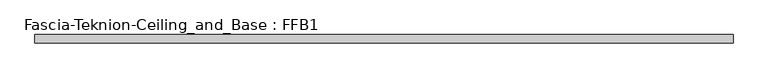
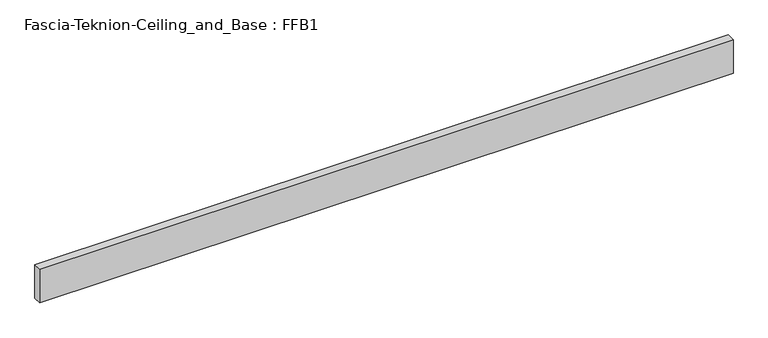
"""IFC4 building model written with IfcOpenShell, lengths in millimetres: proxy geometry, Fascia-Teknion-Ceiling_and_Base : FFB1."""

from ifc_helpers import new_model, si_unit, origin, origin_with_axes, place, context, project, spatial, polyline, outline, extrude, source, transform, mapped, element, save


def fascia_teknion_ceiling_and_base_ffb1_00c84851(model_context):
    return source(origin(), model_context, "Body", "SweptSolid", [
        extrude(outline(polyline([(795.6407125, 0.0), (795.6407125, -19.05), (-795.6407125, -19.05), (-795.6407125, 0.0), (795.6407125, 0.0)])), origin_with_axes(), (0.0, 0.0, 1.0), 81.28),
    ])


if __name__ == "__main__":
    model = new_model("IFC4")
    model_context = context("Model", 3, world=origin())
    ifc_project = project(units=[si_unit("LENGTHUNIT", "METRE", prefix="MILLI")], contexts=[model_context])
    site = spatial("IfcSite", under=ifc_project)
    building = spatial("IfcBuilding", under=site)
    placement = place(None, origin())
    fascia_teknion_ceiling_and_base_ffb1_shape = fascia_teknion_ceiling_and_base_ffb1_00c84851(model_context)
    element("IfcBuildingElementProxy", 1, Name="Fascia-Teknion-Ceiling_and_Base : FFB1", ObjectType="Fascia-Teknion-Ceiling_and_Base : FFB1", at=placement, inside=building, context=model_context, shape_type="MappedRepresentation", body=[
        mapped(fascia_teknion_ceiling_and_base_ffb1_shape, transform((0.0, 0.0, 0.0), x_axis=(1.0, 0.0, 0.0), y_axis=(0.0, 1.0, 0.0), z_axis=(0.0, 0.0, 1.0))),
    ])
    save(model, "model.ifc")
